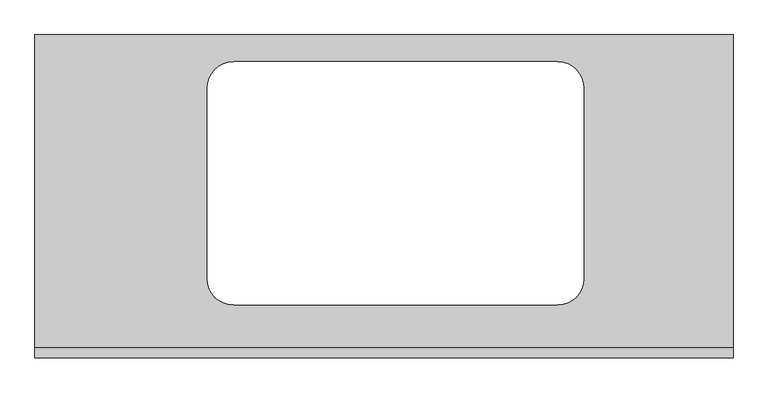
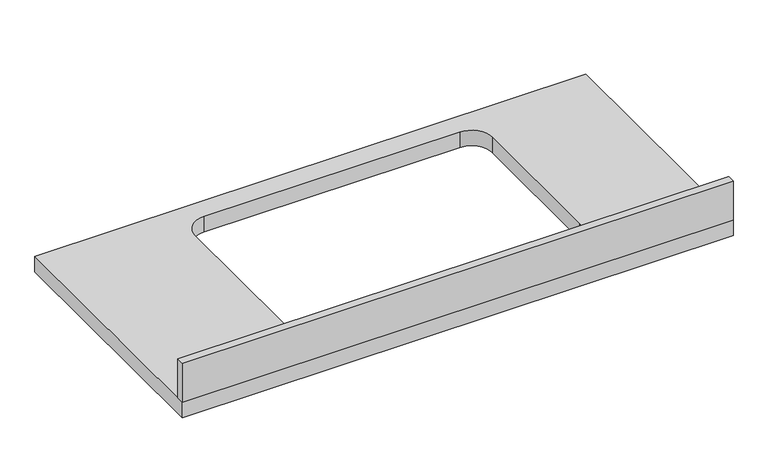
"""IFC4 building model written with IfcOpenShell, lengths in millimetres: furniture geometry."""

from ifc_helpers import new_model, si_unit, point, frame, frame_2d, origin, place, context, project, spatial, polyline, circle_curve, trimmed, segment, composite_curve, outline, extrude, source, transform, mapped, element, save


def furniture_975124bd(model_context):
    return source(origin(), model_context, "Body", "SweptSolid", [
        extrude(outline(polyline([(-1268.7247951, 0.0), (-1268.7247951, 19.05), (81.2752049, 19.05), (81.2752049, 0.0), (-1268.7247951, 0.0)])), frame((0.0, 0.0, 900.0), z_axis=(0.0, 0.0, 1.0), x_axis=(1.0, 0.0, 0.0)), (0.0, 0.0, 1.0), 101.6),
        extrude(outline(polyline([(81.2752049, 0.0), (-1268.7247951, 0.0), (-1268.7247951, 625.0), (81.2752049, 625.0), (81.2752049, 0.0)]), holes=[composite_curve([segment(polyline([(-884.6247951, 102.3), (-258.3111309, 102.3)]), True, "CONTINUOUS"), segment(trimmed(circle_curve(frame_2d((-258.3111309, 153.1)), 50.8), [point((-258.3111309, 102.3))], [point((-207.5111309, 153.1))], True, "CARTESIAN"), True, "CONTINUOUS"), segment(polyline([(-207.5111309, 153.1), (-207.5111309, 521.9)]), True, "CONTINUOUS"), segment(trimmed(circle_curve(frame_2d((-258.3111309, 521.9)), 50.8), [point((-207.5111309, 521.9))], [point((-258.3111309, 572.7))], True, "CARTESIAN"), True, "CONTINUOUS"), segment(polyline([(-258.3111309, 572.7), (-884.6247951, 572.7)]), True, "CONTINUOUS"), segment(trimmed(circle_curve(frame_2d((-884.6247951, 521.9)), 50.8), [point((-884.6247951, 572.7))], [point((-935.4247951, 521.9))], True, "CARTESIAN"), True, "CONTINUOUS"), segment(polyline([(-935.4247951, 521.9), (-935.4247951, 153.1)]), True, "CONTINUOUS"), segment(trimmed(circle_curve(frame_2d((-884.6247951, 153.1)), 50.8), [point((-935.4247951, 153.1))], [point((-884.6247951, 102.3))], True, "CARTESIAN"), True, "CONTINUOUS")], self_intersect=False)]), frame((0.0, 0.0, 860.0), z_axis=(0.0, 0.0, 1.0), x_axis=(1.0, 0.0, 0.0)), (0.0, 0.0, 1.0), 40.0),
    ])


if __name__ == "__main__":
    model = new_model("IFC4")
    model_context = context("Model", 3, world=origin())
    ifc_project = project(units=[si_unit("LENGTHUNIT", "METRE", prefix="MILLI")], contexts=[model_context])
    site = spatial("IfcSite", under=ifc_project)
    building = spatial("IfcBuilding", under=site)
    placement = place(None, origin())
    furniture_shape = furniture_975124bd(model_context)
    element("IfcFurniture", 1, at=placement, inside=building, context=model_context, shape_type="MappedRepresentation", body=[
        mapped(furniture_shape, transform((0.0, 0.0, 0.0), x_axis=(1.0, 0.0, 0.0), y_axis=(0.0, 1.0, 0.0), z_axis=(0.0, 0.0, 1.0))),
    ])
    save(model, "model.ifc")
